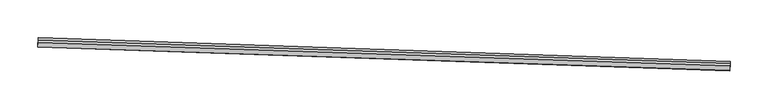
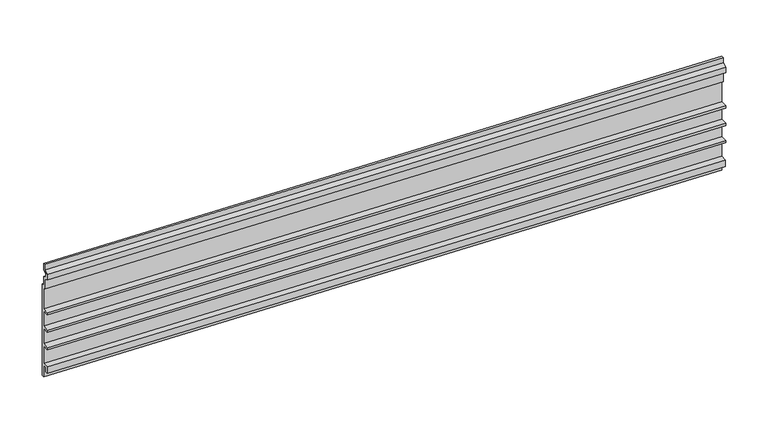
"""IFC4 building model written with IfcOpenShell, lengths in millimetres: proxy geometry."""

from ifc_helpers import new_model, si_unit, frame, origin, place, context, project, spatial, polyline, outline, extrude, source, transform, mapped, element, save


def generic_models_08d213a8(model_context):
    return source(origin(), model_context, "Body", "SweptSolid", [
        extrude(outline(polyline([(-3.1749999, 0.0), (0.0, 0.0), (0.0, 12.7), (5.4236225, 15.2290767), (5.4236225, 19.6959233), (0.0, 22.225), (0.0, 31.75), (3.175, 31.75), (3.175, 24.247698), (9.2139907, 21.4316705), (9.2139907, 13.4933295), (3.175, 10.6773019), (3.175, -3.175), (0.0, -3.175), (0.0, -34.13125), (9.525, -34.13125), (9.525, -37.30625), (0.0, -37.30625), (0.0, -59.53125), (9.525, -59.53125), (9.525, -62.70625), (0.0, -62.70625), (0.0, -84.93125), (9.525, -84.93125), (9.525, -88.10625), (0.0, -88.10625), (0.0, -113.50625), (8.8104385, -113.50625), (8.8104385, -123.03125), (4.9129906, -123.03125), (4.9129906, -116.68125), (0.0, -116.68125), (0.0, -133.35), (-3.1749999, -133.35), (-3.1749999, 0.0)])), frame((34376.7362962, -14832.2247215, 3251.2069019), z_axis=(-0.9994149479166007, 0.03420178183747702, 0.0), x_axis=(-0.03420178183747702, -0.9994149479166007, 0.0)), (0.0, 0.0, 1.0), 914.4),
    ])


if __name__ == "__main__":
    model = new_model("IFC4")
    model_context = context("Model", 3, world=origin())
    ifc_project = project(units=[si_unit("LENGTHUNIT", "METRE", prefix="MILLI")], contexts=[model_context])
    site = spatial("IfcSite", under=ifc_project)
    building = spatial("IfcBuilding", under=site)
    placement = place(None, origin())
    generic_models_shape = generic_models_08d213a8(model_context)
    element("IfcBuildingElementProxy", 1, Name="Generic Models", at=placement, inside=building, context=model_context, shape_type="MappedRepresentation", body=[
        mapped(generic_models_shape, transform((0.0, 0.0, 0.0), x_axis=(1.0, 0.0, 0.0), y_axis=(0.0, 1.0, 0.0), z_axis=(0.0, 0.0, 1.0))),
    ])
    save(model, "model.ifc")
